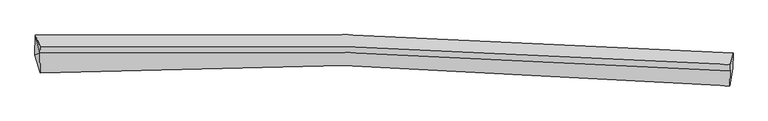
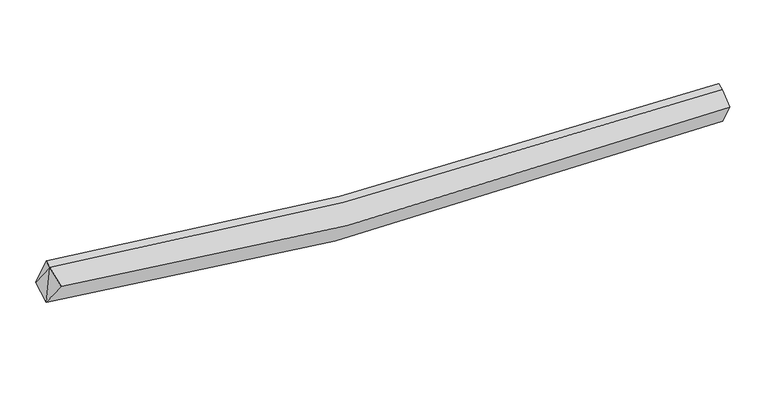
"""IFC4 building model written with IfcOpenShell, lengths in millimetres: proxy geometry."""

from ifc_helpers import new_model, si_unit, frame, origin, place, context, project, spatial, source, transform, mapped, element, save
from ifc_brep_helpers import plane_surface, spline_curve, spline_surface, advanced_brep


def generic_models_3914fe21(model_context):
    return source(origin(), model_context, "Body", "AdvancedBrep", [
        advanced_brep(
        [(-6851.910196, -2006.9321318, 3159.2503026), (-6841.2240151, -1575.6130677, 3374.4768089), (8283.847925, -1968.6800458, 2596.9999683), (8273.6476207, -2302.7006644, 2390.1240837), (-6741.0283096, -2400.9084131, 3751.6082155), (8212.4491525, -2681.2697591, 2975.7350365), (-6746.7236412, -1972.2466953, 3941.7081944), (8220.960869, -2363.7349627, 3191.980498), (-6740.0956954, -1823.2555025, 3999.6538137), (8227.3816914, -2219.3997447, 3248.1153168)],
        [
            (0, 1),
            (1, 2, spline_curve(3, [(-6841.2240151, -1575.6130677, 3374.4768089), (-4631.674577392, -1526.736036375, 2989.535680456), (-2413.298543215, -1525.095055834, 2724.141641191), (2623.175656148, -1628.201254754, 2394.331325141), (5446.490268623, -1760.864561105, 2400.56641829), (8283.847925, -1968.6800458, 2596.9999683)], [4, 2, 4], [0.0, 22.04358951251354, 49.848167510723705])),
            (2, 3),
            (3, 0, spline_curve(3, [(8273.6476207, -2302.7006644, 2390.1240837), (5415.198678416, -2034.782427615, 2081.394565375), (2582.506801697, -1885.631448439, 2024.634523746), (-2449.778051326, -1831.159378203, 2374.606843367), (-4658.938779394, -1881.720847394, 2687.742290497), (-6851.910196, -2006.9321318, 3159.2503026)], [4, 2, 4], [0.0, 27.804577998210164, 49.848167510723705])),
            (4, 0),
            (3, 5),
            (5, 4, spline_curve(3, [(8212.4491525, -2681.2697591, 2975.7350365), (5404.10131979, -2413.006144553, 2663.479052024), (2611.411024611, -2265.300284574, 2605.859270231), (-2367.26529241, -2216.629044557, 2959.071161108), (-4559.067485703, -2270.881122554, 3275.315335974), (-6741.0283096, -2400.9084131, 3751.6082155)], [4, 2, 4], [0.0, 27.674466037771694, 49.61490222615427])),
            (6, 4),
            (5, 7),
            (7, 6, spline_curve(3, [(8220.960869, -2363.7349627, 3191.980498), (5439.410288614, -2151.868348352, 3002.79853723), (2657.096744654, -2017.577297918, 2996.892391052), (-2332.414836593, -1915.897530373, 3314.881497909), (-4539.329463066, -1919.692491307, 3570.696876153), (-6746.7236412, -1972.2466953, 3941.7081944)], [4, 2, 4], [0.0, 27.502124667042054, 49.3059278724449])),
            (8, 6),
            (7, 9),
            (9, 8, spline_curve(3, [(8227.3816914, -2219.3997447, 3248.1153168), (5445.470285027, -2015.644226894, 3055.778790357), (2663.01865878, -1884.457160186, 3048.665443724), (-2326.341140473, -1779.365451582, 3367.981521281), (-4533.048643301, -1778.504437833, 3625.607700728), (-6740.0956954, -1823.2555025, 3999.6538137)], [4, 2, 4], [0.0, 27.48983010274811, 49.28388612448399])),
            (1, 8),
            (9, 2),
            (1, 6),
            (6, 0),
        ],
        [
            spline_surface(3, 3, [[(-6851.910196, -2006.9321318, 3159.2503026), (-4658.938779487, -1881.720847251, 2687.742290736), (-2449.778050995, -1831.159378393, 2374.606843023), (2582.506801279, -1885.631448199, 2024.634524181), (5415.198678348, -2034.782427899, 2081.394565587), (8273.6476207, -2302.7006644, 2390.1240837)], [(-6848.34813568, -1863.159110422, 3230.992471359), (-4649.850712117, -1763.392576837, 2788.340087307), (-2437.618215024, -1729.137937488, 2491.118442337), (2596.063086158, -1799.821383824, 2147.866791235), (5425.629208336, -1943.476472409, 2187.785183043), (8277.047722152, -2191.360458207, 2459.082711891)], [(-6844.78607542, -1719.386089078, 3302.734640141), (-4640.762644808, -1645.064306457, 2888.937883902), (-2425.458379024, -1627.116496529, 2607.630041687), (2609.619371065, -1714.011319394, 2271.099058327), (5436.059738268, -1852.170516897, 2294.175800526), (8280.447823548, -2080.020251993, 2528.041340109)], [(-6841.2240151, -1575.6130677, 3374.4768089), (-4631.674577439, -1526.736036042, 2989.535680473), (-2413.298543053, -1525.095055625, 2724.141641001), (2623.175655944, -1628.201255018, 2394.331325381), (5446.490268256, -1760.864561407, 2400.566417982), (8283.847925, -1968.6800458, 2596.9999683)]], [4, 4], [4, 2, 4], [0.0, 1.4966122413177596], [0.0, 22.04358951251354, 49.848167510723705]),
            spline_surface(3, 3, [[(-6741.0283096, -2400.9084131, 3751.6082155), (-4559.067485493, -2270.881122328, 3275.315335929), (-2367.265292641, -2216.62904447, 2959.071161262), (2611.411024902, -2265.300284684, 2605.859270036), (5404.10131938, -2413.006144542, 2663.479051719), (8212.4491525, -2681.2697591, 2975.7350365)], [(-6777.988938401, -2269.582985985, 3554.155577858), (-4592.357916825, -2141.161030621, 3079.457654189), (-2394.769545413, -2088.139155762, 2764.249721864), (2601.776283707, -2138.74400584, 2412.117688099), (5407.80043902, -2286.931572324, 2469.450889679), (8232.848641884, -2555.080060864, 2780.53138557)], [(-6814.949567199, -2138.257558915, 3356.702940242), (-4625.648348155, -2011.440938958, 2883.599972475), (-2422.273798223, -1959.6492671, 2569.428282421), (2592.141542474, -2012.187727043, 2218.376106117), (5411.499558708, -2160.857000116, 2275.422727628), (8253.248131316, -2428.890362636, 2585.32773463)], [(-6851.910196, -2006.9321318, 3159.2503026), (-4658.938779487, -1881.720847251, 2687.742290736), (-2449.778050995, -1831.159378393, 2374.606843023), (2582.506801279, -1885.631448199, 2024.634524181), (5415.198678348, -2034.782427899, 2081.394565587), (8273.6476207, -2302.7006644, 2390.1240837)]], [4, 4], [4, 2, 4], [0.0, 2.291148610517937], [0.0, 21.940436188382577, 49.61490222615427]),
            spline_surface(3, 3, [[(-6746.7236412, -1972.2466953, 3941.7081944), (-4539.329462872, -1919.692491033, 3570.696876237), (-2332.414836714, -1915.897530051, 3314.881497804), (2657.096744808, -2017.577298325, 2996.892391184), (5439.410288747, -2151.868348426, 3002.798537456), (8220.960869, -2363.7349627, 3191.980498)], [(-6744.825197343, -2115.133934572, 3878.341534769), (-4545.908803755, -2036.755368137, 3472.236362804), (-2344.031655363, -2016.1413682, 3196.278052292), (2641.868171499, -2100.151627121, 2866.54801747), (5427.640632316, -2238.914280463, 2889.692042189), (8218.123630191, -2469.579894832, 3119.898677479)], [(-6742.926753457, -2258.021173828, 3814.974875131), (-4552.48814461, -2153.818245225, 3373.775849363), (-2355.648473992, -2116.38520632, 3077.674606774), (2626.63959821, -2182.725955888, 2736.20364375), (5415.870975812, -2325.960212505, 2776.585546986), (8215.286391309, -2575.424826968, 3047.816857021)], [(-6741.0283096, -2400.9084131, 3751.6082155), (-4559.067485493, -2270.881122328, 3275.315335929), (-2367.265292641, -2216.62904447, 2959.071161262), (2611.411024902, -2265.300284684, 2605.859270036), (5404.10131938, -2413.006144542, 2663.479051719), (8212.4491525, -2681.2697591, 2975.7350365)]], [4, 4], [4, 2, 4], [0.0, 1.521523237514513], [0.0, 21.803803205402843, 49.3059278724449]),
            spline_surface(3, 3, [[(-6740.0956954, -1823.2555025, 3999.6538137), (-4533.04864353, -1778.504437686, 3625.607700394), (-2326.341140662, -1779.365451453, 3367.981521369), (2663.018659019, -1884.457160348, 3048.665443613), (5445.470285052, -2015.644227317, 3055.778790379), (8227.3816914, -2219.3997447, 3248.1153168)], [(-6742.305010655, -1872.919233437, 3980.338607255), (-4535.142249965, -1825.567122139, 3607.30409233), (-2328.365705996, -1824.876144313, 3350.281513506), (2661.044687632, -1928.830539669, 3031.407759463), (5443.450286264, -2061.052267698, 3038.118706094), (8225.241417247, -2267.511484045, 3229.403710557)], [(-6744.514325945, -1922.582964363, 3961.023400845), (-4537.235856436, -1872.629806581, 3589.000484301), (-2330.390271381, -1870.38683719, 3332.581505666), (2659.070716195, -1973.203919005, 3014.150075335), (5441.430287536, -2106.460308045, 3020.45862174), (8223.101143153, -2315.623223355, 3210.692104243)], [(-6746.7236412, -1972.2466953, 3941.7081944), (-4539.329462872, -1919.692491033, 3570.696876237), (-2332.414836714, -1915.897530051, 3314.881497804), (2657.096744808, -2017.577298325, 2996.892391184), (5439.410288747, -2151.868348426, 3002.798537456), (8220.960869, -2363.7349627, 3191.980498)]], [4, 4], [4, 2, 4], [0.0, 0.4742058541124414], [0.0, 21.794056021735884, 49.28388612448399]),
            spline_surface(3, 3, [[(-6841.2240151, -1575.6130677, 3374.4768089), (-4631.674577439, -1526.736036042, 2989.535680473), (-2413.298543053, -1525.095055625, 2724.141641001), (2623.175655944, -1628.201255018, 2394.331325381), (5446.490268256, -1760.864561407, 2400.566417982), (8283.847925, -1968.6800458, 2596.9999683)], [(-6807.514575222, -1658.160545985, 3582.869143859), (-4598.799266158, -1610.658836608, 3201.559687139), (-2384.312742269, -1609.851854227, 2938.754934459), (2636.456656956, -1713.619890121, 2612.442698128), (5446.150273848, -1845.791116696, 2618.970542118), (8265.025847126, -2052.253278753, 2814.038417803)], [(-6773.805135278, -1740.708024215, 3791.261478741), (-4565.923954811, -1694.58163712, 3413.583693728), (-2355.326941446, -1694.608652851, 3153.36822791), (2649.737658007, -1799.038525246, 2830.554070867), (5445.810279461, -1930.717672027, 2837.374666243), (8246.203769274, -2135.826511747, 3031.076867297)], [(-6740.0956954, -1823.2555025, 3999.6538137), (-4533.04864353, -1778.504437686, 3625.607700394), (-2326.341140662, -1779.365451453, 3367.981521369), (2663.018659019, -1884.457160348, 3048.665443613), (5445.470285052, -2015.644227317, 3055.778790379), (8227.3816914, -2219.3997447, 3248.1153168)]], [4, 4], [4, 2, 4], [0.0, 2.2994454367229866], [0.0, 21.922848078916513, 49.57512943750006]),
            plane_surface(frame((8243.6574517, -2307.1570354, 2880.5909806), z_axis=(0.9958800059012939, -0.0677457865628063, 0.06027870477229611), x_axis=(-0.02215039400931072, -0.8263340198150819, -0.5627445670475018))),
            plane_surface(frame((-6776.0144506, -1790.3717552, 3771.9462723), z_axis=(-0.988011598667859, -0.01577485139618512, 0.15357159555467903), x_axis=(0.13527689167445836, -0.5677793863326341, 0.8119893663310096))),
            plane_surface(frame((-6779.8873823, -2126.6957467, 3617.5222375), z_axis=(-0.9879710939658681, -0.07347021179103477, 0.13607073699832142), x_axis=(0.15400262000283899, -0.5471892796457688, 0.8227193235077233))),
            plane_surface(frame((-6813.2859508, -1851.5972983, 3491.8117686), z_axis=(-0.9899231099462759, -0.04282593148040323, 0.13497472351195863), x_axis=(-0.022163404415303945, -0.8945664391672803, -0.44638511334978054))),
        ],
        [
            (0, [[1, 2, 3, 4]]),
            (1, [[5, -4, 6, 7]]),
            (2, [[8, -7, 9, 10]]),
            (3, [[11, -10, 12, 13]]),
            (4, [[14, -13, 15, -2]]),
            (5, [[-9, -6, -3, -15, -12]]),
            (6, [[16, -11, -14]]),
            (7, [[-5, -8, 17]]),
            (8, [[-1, -17, -16]]),
        ],
    ),
    ])


if __name__ == "__main__":
    model = new_model("IFC4")
    model_context = context("Model", 3, world=origin())
    ifc_project = project(units=[si_unit("LENGTHUNIT", "METRE", prefix="MILLI")], contexts=[model_context])
    site = spatial("IfcSite", under=ifc_project)
    building = spatial("IfcBuilding", under=site)
    placement = place(None, origin())
    generic_models_shape = generic_models_3914fe21(model_context)
    element("IfcBuildingElementProxy", 1, Name="Generic Models", at=placement, inside=building, context=model_context, shape_type="MappedRepresentation", body=[
        mapped(generic_models_shape, transform((0.0, 0.0, 0.0), x_axis=(1.0, 0.0, 0.0), y_axis=(0.0, 1.0, 0.0), z_axis=(0.0, 0.0, 1.0))),
    ])
    save(model, "model.ifc")
